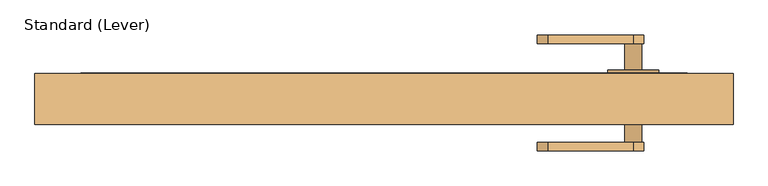
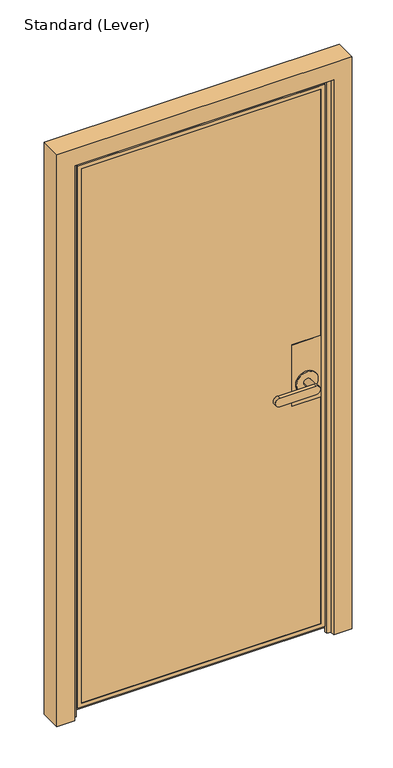
"""IFC4 building model written with IfcOpenShell, lengths in millimetres: door geometry, Standard (Lever)."""

from ifc_helpers import new_model, si_unit, frame, origin, place, context, project, spatial, polyline, circle_curve, outline, extrude, faceted_brep, source, transform, mapped, element, save
from ifc_brep_helpers import plane_surface, cylinder_surface, advanced_brep


def standard_lever_056e9d6b(model_context):
    return source(origin(), model_context, "Body", "SolidModel", [
        faceted_brep([(528.6375, -8.73125, 1117.6), (528.6375, 27.78125, 1117.6), (427.0375, 27.78125, 1117.6), (427.0375, -8.73125, 1117.6), (528.6375, -8.73125, 889.0), (427.0375, -8.73125, 889.0), (427.0375, 27.78125, 889.0), (528.6375, 27.78125, 889.0)], [[[0, 1, 2, 3]], [[4, 5, 6, 7]], [[1, 0, 4, 7]], [[2, 1, 7, 6]], [[3, 2, 6, 5]], [[0, 3, 5, 4]]]),
        advanced_brep(
        [(528.6375, 37.30625, 1117.6), (528.6375, 38.89375, 1117.6), (427.0375, 38.89375, 1117.6), (427.0375, 37.30625, 1117.6), (528.6375, 37.30625, 889.0), (427.0375, 37.30625, 889.0), (427.0375, 38.89375, 889.0), (528.6375, 38.89375, 889.0), (439.7375, 38.89375, 965.2), (515.9375, 38.89375, 965.2), (515.9375, 43.65625, 965.2), (439.7375, 43.65625, 965.2), (465.1375, 43.65625, 965.2), (490.5375, 43.65625, 965.2), (490.5375, 83.34375, 965.2), (465.1375, 83.34375, 965.2), (350.8375, 96.04375, 949.325), (350.8375, 96.04375, 981.075), (477.8375, 96.04375, 981.075), (477.8375, 96.04375, 949.325), (350.8375, 83.34375, 949.325), (477.8375, 83.34375, 949.325), (477.8375, 83.34375, 981.075), (350.8375, 83.34375, 981.075)],
        [
            (0, 1),
            (1, 2),
            (2, 3),
            (3, 0),
            (4, 5),
            (5, 6),
            (6, 7),
            (7, 4),
            (0, 4),
            (7, 1),
            (6, 2),
            (8, 9, circle_curve(frame((477.8375, 38.89375, 965.2), z_axis=(0.0, -1.0, 0.0), x_axis=(-1.0, 0.0, 0.0)), 38.1)),
            (9, 8, circle_curve(frame((477.8375, 38.89375, 965.2), z_axis=(0.0, -1.0, 0.0), x_axis=(-1.0, 0.0, 0.0)), 38.1)),
            (5, 3),
            (10, 11, circle_curve(frame((477.8375, 43.65625, 965.2), z_axis=(0.0, 1.0, 0.0), x_axis=(-1.0, 0.0, 0.0)), 38.1)),
            (11, 10, circle_curve(frame((477.8375, 43.65625, 965.2), z_axis=(0.0, 1.0, 0.0), x_axis=(-1.0, 0.0, 0.0)), 38.1)),
            (12, 13, circle_curve(frame((477.8375, 43.65625, 965.2), z_axis=(0.0, -1.0, 0.0), x_axis=(-1.0, 0.0, 0.0)), 12.7)),
            (13, 12, circle_curve(frame((477.8375, 43.65625, 965.2), z_axis=(0.0, -1.0, 0.0), x_axis=(-1.0, 0.0, 0.0)), 12.7)),
            (10, 9),
            (8, 11),
            (14, 13),
            (12, 15),
            (15, 14, circle_curve(frame((477.8375, 83.34375, 965.2), z_axis=(0.0, -1.0, 0.0), x_axis=(-1.0, 0.0, 0.0)), 12.7)),
            (14, 15, circle_curve(frame((477.8375, 83.34375, 965.2), z_axis=(0.0, -1.0, 0.0), x_axis=(-1.0, 0.0, 0.0)), 12.7)),
            (16, 17, circle_curve(frame((350.8375, 96.04375, 965.2), z_axis=(0.0, 1.0, 0.0), x_axis=(-1.0, 0.0, 0.0)), 15.875)),
            (17, 18),
            (18, 19, circle_curve(frame((477.8375, 96.04375, 965.2), z_axis=(0.0, 1.0, 0.0), x_axis=(-1.0, 0.0, 0.0)), 15.875)),
            (19, 16),
            (20, 21),
            (21, 22, circle_curve(frame((477.8375, 83.34375, 965.2), z_axis=(0.0, -1.0, 0.0), x_axis=(-1.0, 0.0, 0.0)), 15.875)),
            (22, 23),
            (23, 20, circle_curve(frame((350.8375, 83.34375, 965.2), z_axis=(0.0, -1.0, 0.0), x_axis=(-1.0, 0.0, 0.0)), 15.875)),
            (16, 20),
            (23, 17),
            (22, 18),
            (21, 19),
        ],
        [
            plane_surface(frame((528.6375, -19.84375, 1117.6), z_axis=(0.0, 0.0, 1.0), x_axis=(0.0, 1.0, 0.0))),
            plane_surface(frame((528.6375, -19.84375, 889.0), z_axis=(0.0, 0.0, -1.0), x_axis=(0.0, -1.0, 0.0))),
            plane_surface(frame((528.6375, 37.30625, 1117.6), z_axis=(1.0, 0.0, 0.0), x_axis=(0.0, 0.0, -1.0))),
            plane_surface(frame((528.6375, 38.89375, 1117.6), z_axis=(0.0, 1.0, 0.0), x_axis=(0.0, 0.0, -1.0))),
            plane_surface(frame((427.0375, 38.89375, 1117.6), z_axis=(-1.0, 0.0, 0.0), x_axis=(0.0, 0.0, -1.0))),
            plane_surface(frame((427.0375, 37.30625, 1117.6), z_axis=(0.0, -1.0, 0.0), x_axis=(0.0, 0.0, -1.0))),
            plane_surface(frame((439.7375, 43.65625, 965.2), z_axis=(0.0, 1.0, 0.0), x_axis=(0.0, 0.0, 1.0))),
            cylinder_surface(frame((477.8375, 38.89375, 965.2), z_axis=(0.0, 1.0, 0.0), x_axis=(-1.0, 0.0, 0.0)), 38.1),
            cylinder_surface(frame((477.8375, 38.89375, 965.2), z_axis=(0.0, 1.0, 0.0), x_axis=(-1.0, 0.0, 0.0)), 12.7),
            plane_surface(frame((334.9625, 96.04375, 965.2), z_axis=(0.0, 1.0, 0.0), x_axis=(0.0, 0.0, 1.0))),
            plane_surface(frame((334.9625, 83.34375, 965.2), z_axis=(0.0, -1.0, 0.0), x_axis=(0.0, 0.0, -1.0))),
            cylinder_surface(frame((350.8375, 83.34375, 965.2), z_axis=(0.0, 1.0, 0.0), x_axis=(-1.0, 0.0, 0.0)), 15.875),
            plane_surface(frame((350.8375, 96.04375, 981.075), z_axis=(0.0, 0.0, 1.0), x_axis=(0.0, -1.0, 0.0))),
            cylinder_surface(frame((477.8375, 83.34375, 965.2), z_axis=(0.0, 1.0, 0.0), x_axis=(-1.0, 0.0, 0.0)), 15.875),
            plane_surface(frame((477.8375, 96.04375, 949.325), z_axis=(0.0, 0.0, -1.0), x_axis=(0.0, -1.0, 0.0))),
        ],
        [
            (0, [[1, 2, 3, 4]]),
            (1, [[5, 6, 7, 8]]),
            (2, [[-1, 9, -8, 10]]),
            (3, [[-2, -10, -7, 11], [12, 13]]),
            (4, [[-3, -11, -6, 14]]),
            (5, [[-4, -14, -5, -9]]),
            (6, [[15, 16], [17, 18]]),
            (7, [[-15, 19, -12, 20]]),
            (7, [[-16, -20, -13, -19]]),
            (8, [[21, -17, 22, 23]]),
            (8, [[-21, 24, -22, -18]]),
            (9, [[25, 26, 27, 28]]),
            (10, [[29, 30, 31, 32], [-23, -24]]),
            (11, [[-25, 33, -32, 34]]),
            (12, [[-26, -34, -31, 35]]),
            (13, [[-27, -35, -30, 36]]),
            (14, [[-28, -36, -29, -33]]),
        ],
    ),
        advanced_brep(
        [(528.6375, -19.84375, 1117.6), (528.6375, -18.25625, 1117.6), (427.099678, -18.25625, 1117.6), (427.099678, -19.84375, 1117.6), (528.6375, -19.84375, 889.0), (427.099678, -19.84375, 889.0), (427.099678, -18.25625, 889.0), (528.6375, -18.25625, 889.0), (490.5375, -24.60625, 965.2), (490.5375, -64.29375, 965.2), (465.1375, -64.29375, 965.2), (465.1375, -24.60625, 965.2), (515.9375, -24.60625, 965.2), (439.7375, -24.60625, 965.2), (439.7375, -19.84375, 965.2), (515.9375, -19.84375, 965.2), (477.8375, -64.29375, 949.325), (350.8375, -64.29375, 949.325), (350.8375, -64.29375, 981.075), (477.8375, -64.29375, 981.075), (477.8375, -76.99375, 949.325), (477.8375, -76.99375, 981.075), (350.8375, -76.99375, 981.075), (350.8375, -76.99375, 949.325)],
        [
            (0, 1),
            (1, 2),
            (2, 3),
            (3, 0),
            (4, 5),
            (5, 6),
            (6, 7),
            (7, 4),
            (8, 9),
            (9, 10, circle_curve(frame((477.8375, -64.29375, 965.2), z_axis=(0.0, 1.0, 0.0), x_axis=(-1.0, 0.0, 0.0)), 12.7)),
            (10, 11),
            (11, 8, circle_curve(frame((477.8375, -24.60625, 965.2), z_axis=(0.0, -1.0, 0.0), x_axis=(-1.0, 0.0, 0.0)), 12.7)),
            (8, 11, circle_curve(frame((477.8375, -24.60625, 965.2), z_axis=(0.0, -1.0, 0.0), x_axis=(-1.0, 0.0, 0.0)), 12.7)),
            (10, 9, circle_curve(frame((477.8375, -64.29375, 965.2), z_axis=(0.0, 1.0, 0.0), x_axis=(-1.0, 0.0, 0.0)), 12.7)),
            (12, 13, circle_curve(frame((477.8375, -24.60625, 965.2), z_axis=(0.0, -1.0, 0.0), x_axis=(-1.0, 0.0, 0.0)), 38.1)),
            (13, 12, circle_curve(frame((477.8375, -24.60625, 965.2), z_axis=(0.0, -1.0, 0.0), x_axis=(-1.0, 0.0, 0.0)), 38.1)),
            (13, 14),
            (14, 15, circle_curve(frame((477.8375, -19.84375, 965.2), z_axis=(0.0, -1.0, 0.0), x_axis=(-1.0, 0.0, 0.0)), 38.1)),
            (15, 12),
            (15, 14, circle_curve(frame((477.8375, -19.84375, 965.2), z_axis=(0.0, -1.0, 0.0), x_axis=(-1.0, 0.0, 0.0)), 38.1)),
            (16, 17),
            (17, 18, circle_curve(frame((350.8375, -64.29375, 965.2), z_axis=(0.0, 1.0, 0.0), x_axis=(-1.0, 0.0, 0.0)), 15.875)),
            (18, 19),
            (19, 16, circle_curve(frame((477.8375, -64.29375, 965.2), z_axis=(0.0, 1.0, 0.0), x_axis=(-1.0, 0.0, 0.0)), 15.875)),
            (20, 21, circle_curve(frame((477.8375, -76.99375, 965.2), z_axis=(0.0, -1.0, 0.0), x_axis=(-1.0, 0.0, 0.0)), 15.875)),
            (21, 22),
            (22, 23, circle_curve(frame((350.8375, -76.99375, 965.2), z_axis=(0.0, -1.0, 0.0), x_axis=(-1.0, 0.0, 0.0)), 15.875)),
            (23, 20),
            (16, 20),
            (23, 17),
            (22, 18),
            (21, 19),
            (0, 4),
            (7, 1),
            (6, 2),
            (5, 3),
        ],
        [
            plane_surface(frame((528.6375, -19.84375, 1117.6), z_axis=(0.0, 0.0, 1.0), x_axis=(0.0, 1.0, 0.0))),
            plane_surface(frame((528.6375, -19.84375, 889.0), z_axis=(0.0, 0.0, -1.0), x_axis=(0.0, -1.0, 0.0))),
            cylinder_surface(frame((477.8375, -64.29375, 965.2), z_axis=(0.0, 1.0, 0.0), x_axis=(-1.0, 0.0, 0.0)), 12.7),
            plane_surface(frame((439.7375, -24.60625, 965.2), z_axis=(0.0, -1.0, 0.0), x_axis=(0.0, 0.0, -1.0))),
            cylinder_surface(frame((477.8375, -24.60625, 965.2), z_axis=(0.0, 1.0, 0.0), x_axis=(-1.0, 0.0, 0.0)), 38.1),
            plane_surface(frame((477.8375, -64.29375, 949.325), z_axis=(0.0, 1.0, 0.0), x_axis=(-1.0, 0.0, 0.0))),
            plane_surface(frame((477.8375, -76.99375, 949.325), z_axis=(0.0, -1.0, 0.0), x_axis=(1.0, 0.0, 0.0))),
            plane_surface(frame((477.8375, -64.29375, 949.325), z_axis=(0.0, 0.0, -1.0), x_axis=(0.0, -1.0, 0.0))),
            cylinder_surface(frame((350.8375, -76.99375, 965.2), z_axis=(0.0, 1.0, 0.0), x_axis=(-1.0, 0.0, 0.0)), 15.875),
            plane_surface(frame((350.8375, -64.29375, 981.075), z_axis=(0.0, 0.0, 1.0), x_axis=(0.0, -1.0, 0.0))),
            cylinder_surface(frame((477.8375, -76.99375, 965.2), z_axis=(0.0, 1.0, 0.0), x_axis=(-1.0, 0.0, 0.0)), 15.875),
            plane_surface(frame((528.6375, -19.84375, 1117.6), z_axis=(1.0, 0.0, 0.0), x_axis=(0.0, 0.0, -1.0))),
            plane_surface(frame((528.6375, -18.25625, 1117.6), z_axis=(0.0, 1.0, 0.0), x_axis=(0.0, 0.0, -1.0))),
            plane_surface(frame((427.099678, -18.25625, 1117.6), z_axis=(-1.0, 0.0, 0.0), x_axis=(0.0, 0.0, -1.0))),
            plane_surface(frame((427.099678, -19.84375, 1117.6), z_axis=(0.0, -1.0, 0.0), x_axis=(0.0, 0.0, -1.0))),
        ],
        [
            (0, [[1, 2, 3, 4]]),
            (1, [[5, 6, 7, 8]]),
            (2, [[9, 10, 11, 12]]),
            (2, [[-9, 13, -11, 14]]),
            (3, [[15, 16], [-12, -13]]),
            (4, [[-16, 17, 18, 19]]),
            (4, [[-15, -19, 20, -17]]),
            (5, [[21, 22, 23, 24], [-10, -14]]),
            (6, [[25, 26, 27, 28]]),
            (7, [[-21, 29, -28, 30]]),
            (8, [[-22, -30, -27, 31]]),
            (9, [[-23, -31, -26, 32]]),
            (10, [[-24, -32, -25, -29]]),
            (11, [[-1, 33, -8, 34]]),
            (12, [[-2, -34, -7, 35]]),
            (13, [[-3, -35, -6, 36]]),
            (14, [[-4, -36, -5, -33], [-18, -20]]),
        ],
    ),
        extrude(outline(polyline([(541.3375, 37.30625), (541.3375, 27.78125), (-328.6125, 27.78125), (-328.6125, 37.30625), (541.3375, 37.30625)])), frame((0.0, 0.0, 30.1625), z_axis=(0.0, 0.0, 1.0), x_axis=(1.0, 0.0, 0.0)), (0.0, 0.0, 1.0), 2017.7125),
        extrude(outline(polyline([(541.3375, -8.73125), (541.3375, -18.25625), (-328.6125, -18.25625), (-328.6125, -8.73125), (541.3375, -8.73125)])), frame((0.0, 0.0, 30.1625), z_axis=(0.0, 0.0, 1.0), x_axis=(1.0, 0.0, 0.0)), (0.0, 0.0, 1.0), 2017.7125),
        faceted_brep([(-315.9125, 27.78125, 2035.175), (-315.9125, -8.73125, 2035.175), (-315.9125, -8.73125, 42.8625), (-315.9125, 27.78125, 42.8625), (541.3375, -8.73125, 30.1625), (541.3375, -8.73125, 2047.875), (-328.6125, -8.73125, 2047.875), (-328.6125, -8.73125, 30.1625), (528.6375, -8.73125, 2035.175), (528.6375, -8.73125, 42.8625), (528.6375, 27.78125, 42.8625), (541.3375, 27.78125, 30.1625), (-328.6125, 27.78125, 30.1625), (-328.6125, 27.78125, 2047.875), (541.3375, 27.78125, 2047.875), (528.6375, 27.78125, 2035.175), (-328.6125, 37.30625, 2047.875), (-328.6125, 37.30625, 30.1625), (541.3375, 37.30625, 30.1625), (541.3375, 37.30625, 2047.875), (528.6375, 37.30625, 42.8625), (-315.9125, 37.30625, 42.8625), (-315.9125, 37.30625, 2035.175), (528.6375, 37.30625, 2035.175), (-315.9125, 38.89375, 2035.175), (-315.9125, 38.89375, 42.8625), (528.6375, 38.89375, 42.8625), (558.8, 38.89375, 12.7), (-346.075, 38.89375, 12.7), (-346.075, 38.89375, 2065.3375), (558.8, 38.89375, 2065.3375), (528.6375, 38.89375, 2035.175), (-346.075, -5.55625, 2065.3375), (-346.075, -5.55625, 12.7), (558.8, -5.55625, 12.7), (558.8, -5.55625, 2065.3375), (-330.2, -5.55625, 28.575), (-330.2, -5.55625, 2049.4625), (542.925, -5.55625, 2049.4625), (542.925, -5.55625, 28.575), (-315.9125, -18.25625, 42.8625), (-315.9125, -19.84375, 42.8625), (528.6375, -19.84375, 42.8625), (528.6375, -18.25625, 42.8625), (-330.2, -19.84375, 28.575), (542.925, -19.84375, 28.575), (542.925, -19.84375, 2049.4625), (-330.2, -19.84375, 2049.4625), (-315.9125, -19.84375, 2035.175), (528.6375, -19.84375, 2035.175), (-315.9125, -18.25625, 2035.175), (528.6375, -18.25625, 2035.175), (-328.6125, -18.25625, 30.1625), (-328.6125, -18.25625, 2047.875), (541.3375, -18.25625, 2047.875), (541.3375, -18.25625, 30.1625)], [[[0, 1, 2, 3]], [[4, 5, 6, 7], [2, 1, 8, 9]], [[3, 2, 9, 10]], [[11, 12, 13, 14], [3, 10, 15, 0]], [[16, 13, 12, 17]], [[17, 12, 11, 18]], [[17, 18, 19, 16], [20, 21, 22, 23]], [[24, 22, 21, 25]], [[25, 21, 20, 26]], [[27, 28, 29, 30], [25, 26, 31, 24]], [[32, 29, 28, 33]], [[33, 28, 27, 34]], [[34, 35, 32, 33], [36, 37, 38, 39]], [[10, 9, 8, 15]], [[18, 11, 14, 19]], [[26, 20, 23, 31]], [[34, 27, 30, 35]], [[40, 41, 42, 43]], [[44, 45, 46, 47], [42, 41, 48, 49]], [[50, 48, 41, 40]], [[43, 42, 49, 51]], [[44, 36, 39, 45]], [[45, 39, 38, 46]], [[47, 37, 36, 44]], [[52, 53, 54, 55], [43, 51, 50, 40]], [[6, 53, 52, 7]], [[7, 52, 55, 4]], [[4, 55, 54, 5]], [[15, 8, 1, 0]], [[19, 14, 13, 16]], [[31, 23, 22, 24]], [[35, 30, 29, 32]], [[51, 49, 48, 50]], [[5, 54, 53, 6]], [[46, 38, 37, 47]]]),
        faceted_brep([(563.5625, -20.6375, 0.0), (549.275, -20.6375, 0.0), (549.275, -9.525, 0.0), (563.5625, -9.525, 0.0), (563.5625, 38.1, 0.0), (627.0625, 38.1, 0.0), (627.0625, -38.1, 0.0), (563.5625, -38.1, 0.0), (563.5625, -20.6375, 2070.1), (-350.8375, -20.6375, 2070.1), (-350.8375, -20.6375, 0.0), (-336.55, -20.6375, 0.0), (-336.55, -20.6375, 2055.8125), (549.275, -20.6375, 2055.8125), (549.275, -9.525, 2055.8125), (-336.55, -9.525, 2055.8125), (-336.55, -9.525, 0.0), (-350.8375, -9.525, 0.0), (-350.8375, -9.525, 2070.1), (563.5625, -9.525, 2070.1), (563.5625, 38.1, 2070.1), (-350.8375, 38.1, 2070.1), (-350.8375, 38.1, 0.0), (-414.3375, 38.1, 0.0), (-414.3375, 38.1, 2133.6), (627.0625, 38.1, 2133.6), (627.0625, -38.1, 2133.6), (-414.3375, -38.1, 2133.6), (-414.3375, -38.1, 0.0), (-350.8375, -38.1, 0.0), (-350.8375, -38.1, 2070.1), (563.5625, -38.1, 2070.1)], [[[0, 1, 2, 3, 4, 5, 6, 7]], [[1, 0, 8, 9, 10, 11, 12, 13]], [[2, 1, 13, 14]], [[3, 2, 14, 15, 16, 17, 18, 19]], [[4, 3, 19, 20]], [[5, 4, 20, 21, 22, 23, 24, 25]], [[6, 5, 25, 26]], [[7, 6, 26, 27, 28, 29, 30, 31]], [[0, 7, 31, 8]], [[10, 29, 28, 23, 22, 17, 16, 11]], [[23, 28, 27, 24]], [[29, 10, 9, 30]], [[18, 17, 22, 21]], [[11, 16, 15, 12]], [[27, 26, 25, 24]], [[20, 19, 18, 21]], [[9, 8, 31, 30]], [[14, 13, 12, 15]]]),
    ])


if __name__ == "__main__":
    model = new_model("IFC4")
    model_context = context("Model", 3, world=origin())
    ifc_project = project(units=[si_unit("LENGTHUNIT", "METRE", prefix="MILLI")], contexts=[model_context])
    site = spatial("IfcSite", under=ifc_project)
    building = spatial("IfcBuilding", under=site)
    placement = place(None, origin())
    standard_lever_shape = standard_lever_056e9d6b(model_context)
    element("IfcDoor", 1, ObjectType="Standard (Lever)", at=placement, inside=building, context=model_context, shape_type="MappedRepresentation", body=[
        mapped(standard_lever_shape, transform((0.0, 0.0, 0.0), x_axis=(1.0, 0.0, 0.0), y_axis=(0.0, 1.0, 0.0), z_axis=(0.0, 0.0, 1.0))),
    ])
    save(model, "model.ifc")
